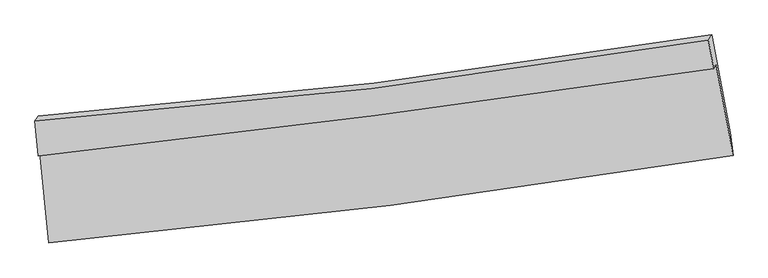
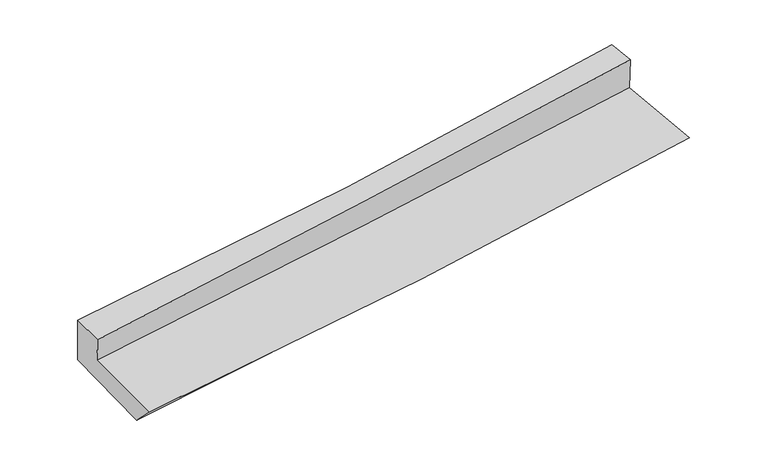
"""IFC4 building model written with IfcOpenShell, lengths in millimetres: proxy geometry."""

from ifc_helpers import new_model, si_unit, frame, origin, place, context, project, spatial, source, transform, mapped, element, save
from ifc_brep_helpers import plane_surface, spline_curve, spline_surface, advanced_brep


def generic_models_5950c602(model_context):
    return source(origin(), model_context, "Body", "AdvancedBrep", [
        advanced_brep(
        [(-2305.317415, -1821.8496615, 1798.6316762), (-2244.9285833, -2436.725378, 1712.5009081), (2380.1663001, -1842.9890861, 2033.6233671), (2263.2244622, -1220.6189267, 2117.8461845), (-2315.5706433, -1848.1336366, 1988.766577), (2249.2354361, -1256.4795552, 2377.2573671), (-2338.6103891, -1612.4141026, 2020.1096632), (2213.3568961, -1064.9574393, 2401.79832), (-2317.6744254, -1577.4073881, 1656.9393243), (2237.1815758, -1027.2715562, 2012.8603038), (-2248.8546889, -2271.5030973, 1549.888835), (2362.4070388, -1689.7703991, 1913.7271141)],
        [
            (0, 1),
            (1, 2, spline_curve(3, [(-2244.9285833, -2436.725378, 1712.5009081), (-1473.409140362, -2365.789525313, 1765.393762929), (-703.915103891, -2281.12251409, 1818.481553994), (837.819225178, -2083.454713174, 1925.518905365), (1610.02348356, -1970.20962726, 1979.471934153), (2380.1663001, -1842.9890861, 2033.6233671)], [4, 2, 4], [0.0, 7.589412679607977, 15.246040834091112])),
            (2, 3),
            (3, 0, spline_curve(3, [(2263.2244622, -1220.6189267, 2117.8461845), (1499.989965768, -1333.950357404, 2066.075739335), (735.979035976, -1440.911560674, 2013.468356902), (-786.881828845, -1641.21045166, 1907.048890975), (-1545.718191255, -1734.659493095, 1853.251437121), (-2305.317415, -1821.8496615, 1798.6316762)], [4, 2, 4], [0.0, 7.656628154483134, 15.246040834091112])),
            (4, 0),
            (3, 5),
            (5, 4, spline_curve(3, [(2249.2354361, -1256.4795552, 2377.2573671), (1486.622667438, -1368.21719801, 2313.957664301), (723.235298353, -1473.579913813, 2249.787028739), (-798.380268588, -1670.686504867, 2120.274874658), (-1556.594926018, -1762.5418159, 2054.948580149), (-2315.5706433, -1848.1336366, 1988.766577)], [4, 2, 4], [0.0, 7.610871658861334, 15.154929526789815])),
            (6, 4),
            (5, 7),
            (7, 6, spline_curve(3, [(2213.3568961, -1064.9574393, 2401.79832), (1455.132445925, -1190.694701238, 2336.799974936), (695.008916822, -1299.310701358, 2272.35561628), (-822.346708334, -1481.4969692, 2145.13574768), (-1579.545607476, -1555.36652385, 2082.350554145), (-2338.6103891, -1612.4141026, 2020.1096632)], [4, 2, 4], [0.0, 7.596614693647422, 15.126540754416919])),
            (8, 6),
            (7, 9),
            (9, 8, spline_curve(3, [(2237.1815758, -1027.2715562, 2012.8603038), (1478.595990266, -1153.269142005, 1950.123740082), (718.04983583, -1262.239966967, 1888.971568283), (-800.269769227, -1445.320943076, 1770.358937404), (-1558.008948742, -1519.728728764, 1712.870782781), (-2317.6744254, -1577.4073881, 1656.9393243)], [4, 2, 4], [0.0, 7.583316366990458, 15.100060843528412])),
            (10, 8),
            (9, 11),
            (11, 10, spline_curve(3, [(2362.4070388, -1689.7703991, 1913.7271141), (1593.283523675, -1806.522402145, 1851.933579927), (822.749618903, -1913.547156564, 1790.585238743), (-714.362277611, -2107.288019856, 1669.313594381), (-1480.915615627, -2194.174164782, 1609.382509278), (-2248.8546889, -2271.5030973, 1549.888835)], [4, 2, 4], [0.0, 7.633054028844274, 15.199099533708434])),
            (1, 10),
            (11, 2),
        ],
        [
            spline_surface(3, 3, [[(-2305.317415, -1821.8496615, 1798.6316762), (-1545.718191334, -1734.659493211, 1853.251437199), (-786.881828815, -1641.210451597, 1907.048890889), (735.979035945, -1440.911560738, 2013.468356988), (1499.989965835, -1333.95035745, 2066.075739388), (2263.2244622, -1220.6189267, 2117.8461845)], [(-2285.18780446, -2026.808233661, 1769.921420174), (-1521.61517435, -1945.036170558, 1823.965545787), (-759.22625388, -1854.514472394, 1877.526445225), (769.92576572, -1655.092611544, 1984.151873112), (1536.667805015, -1546.036780688, 2037.207804279), (2302.20507481, -1428.075646507, 2089.771912018)], [(-2265.05819384, -2231.766805839, 1741.211164126), (-1497.512157286, -2155.412847923, 1794.679654353), (-731.570678929, -2067.818493251, 1848.003999612), (803.872495508, -1869.27366241, 1954.835389288), (1573.345644264, -1758.123203904, 2008.339869216), (2341.18568749, -1635.532366293, 2061.697639582)], [(-2244.9285833, -2436.725378, 1712.5009081), (-1473.409140302, -2365.789525269, 1765.393762941), (-703.915103994, -2281.122514048, 1818.481553948), (837.819225282, -2083.454713217, 1925.518905411), (1610.023483443, -1970.209627142, 1979.471934107), (2380.1663001, -1842.9890861, 2033.6233671)]], [4, 4], [4, 2, 4], [0.0, 2.145202647007522], [0.0, 7.589412679607977, 15.246040834091112]),
            spline_surface(3, 3, [[(-2315.5706433, -1848.1336366, 1988.766577), (-1556.594925928, -1762.541816014, 2054.948580061), (-798.380268515, -1670.686504781, 2120.27487457), (723.23529828, -1473.579913899, 2249.787028828), (1486.622667315, -1368.217197973, 2313.957664401), (2249.2354361, -1256.4795552, 2377.2573671)], [(-2312.152900512, -1839.372311582, 1925.388276723), (-1552.969347708, -1753.247708428, 1987.716199097), (-794.547455263, -1660.861153742, 2049.199546675), (727.483210854, -1462.690462868, 2171.014138213), (1491.078433496, -1356.794917786, 2231.330356082), (2253.898444808, -1244.526012353, 2290.786972919)], [(-2308.735157788, -1830.610986518, 1862.009976477), (-1549.343769553, -1743.953600797, 1920.483818163), (-790.714642067, -1651.035802635, 1978.124218784), (731.731123372, -1451.801011769, 2092.241247603), (1495.534199654, -1345.372637638, 2148.703047707), (2258.561453492, -1232.572469547, 2204.316578681)], [(-2305.317415, -1821.8496615, 1798.6316762), (-1545.718191334, -1734.659493211, 1853.251437199), (-786.881828815, -1641.210451597, 1907.048890889), (735.979035945, -1440.911560738, 2013.468356988), (1499.989965835, -1333.95035745, 2066.075739388), (2263.2244622, -1220.6189267, 2117.8461845)]], [4, 4], [4, 2, 4], [0.0, 0.7458539577091511], [0.0, 7.544057867928481, 15.154929526789815]),
            spline_surface(3, 3, [[(-2338.6103891, -1612.4141026, 2020.1096632), (-1579.545607584, -1555.366523795, 2082.350554237), (-822.34670828, -1481.496969272, 2145.135747795), (695.008916768, -1299.310701285, 2272.355616164), (1455.132445867, -1190.694701326, 2336.799974866), (2213.3568961, -1064.9574393, 2401.79832)], [(-2330.930473851, -1690.987280605, 2009.661967816), (-1571.895380383, -1624.42495454, 2073.21656286), (-814.35789503, -1544.560147769, 2136.848790077), (704.4177106, -1357.400438817, 2264.832753742), (1465.629186343, -1249.868866868, 2329.185871366), (2225.316409427, -1128.798144593, 2393.618002355)], [(-2323.250558549, -1769.560458595, 1999.214272384), (-1564.245153129, -1693.483385269, 2064.082571437), (-806.369081765, -1607.623326285, 2128.561832288), (713.826504447, -1415.490176368, 2257.30989125), (1476.125926839, -1309.043032431, 2321.571767901), (2237.275922773, -1192.638849907, 2385.437684745)], [(-2315.5706433, -1848.1336366, 1988.766577), (-1556.594925928, -1762.541816014, 2054.948580061), (-798.380268515, -1670.686504781, 2120.27487457), (723.23529828, -1473.579913899, 2249.787028828), (1486.622667315, -1368.217197973, 2313.957664401), (2249.2354361, -1256.4795552, 2377.2573671)]], [4, 4], [4, 2, 4], [0.0, 0.6071398510094914], [0.0, 7.529926060769497, 15.126540754416919]),
            spline_surface(3, 3, [[(-2317.6744254, -1577.4073881, 1656.9393243), (-1558.008948731, -1519.728728725, 1712.870782883), (-800.269769311, -1445.320943085, 1770.358937502), (718.049835915, -1262.239966957, 1888.971568184), (1478.595990276, -1153.269141957, 1950.123740112), (2237.1815758, -1027.2715562, 2012.8603038)], [(-2324.653079975, -1589.076292922, 1777.996103922), (-1565.187835024, -1531.607993737, 1836.030706656), (-807.628748984, -1457.379618494, 1895.284540919), (710.369529516, -1274.596878413, 2016.76625083), (1470.774808821, -1165.744328422, 2079.015818379), (2229.240015915, -1039.833517243, 2142.506309215)], [(-2331.631734525, -1600.745197778, 1899.052883578), (-1572.366721291, -1543.487258784, 1959.190630463), (-814.987728607, -1469.438293863, 2020.210144378), (702.689223167, -1286.953789829, 2144.560933518), (1462.953627322, -1178.21951486, 2207.9078966), (2221.298455985, -1052.395478257, 2272.152314585)], [(-2338.6103891, -1612.4141026, 2020.1096632), (-1579.545607584, -1555.366523795, 2082.350554237), (-822.34670828, -1481.496969272, 2145.135747795), (695.008916768, -1299.310701285, 2272.355616164), (1455.132445867, -1190.694701326, 2336.799974866), (2213.3568961, -1064.9574393, 2401.79832)]], [4, 4], [4, 2, 4], [0.0, 1.2518085581349283], [0.0, 7.516744476537954, 15.100060843528412]),
            spline_surface(3, 3, [[(-2248.8546889, -2271.5030973, 1549.888835), (-1480.915615719, -2194.174164754, 1609.382509307), (-714.362277721, -2107.28801984, 1669.313594444), (822.749619015, -1913.54715658, 1790.58523868), (1593.283523568, -1806.522402104, 1851.933579873), (2362.4070388, -1689.7703991, 1913.7271141)], [(-2271.794601039, -2040.137860883, 1585.572331458), (-1506.613393363, -1969.359019394, 1643.878600524), (-742.998108252, -1886.632327568, 1702.99537548), (787.849691314, -1696.444760019, 1823.380681865), (1555.054345799, -1588.771315379, 1884.663633268), (2320.665217795, -1468.937451458, 1946.771510649)], [(-2294.734513261, -1808.772624517, 1621.255827842), (-1532.311171088, -1744.543874085, 1678.374691666), (-771.63393878, -1665.976635357, 1736.677156466), (752.949763615, -1479.342363519, 1856.176124999), (1516.825168045, -1371.020228681, 1917.393686717), (2278.923396805, -1248.104503842, 1979.815907251)], [(-2317.6744254, -1577.4073881, 1656.9393243), (-1558.008948731, -1519.728728725, 1712.870782883), (-800.269769311, -1445.320943085, 1770.358937502), (718.049835915, -1262.239966957, 1888.971568184), (1478.595990276, -1153.269141957, 1950.123740112), (2237.1815758, -1027.2715562, 2012.8603038)]], [4, 4], [4, 2, 4], [0.0, 2.2012227330497955], [0.0, 7.56604550486416, 15.199099533708434]),
            spline_surface(3, 3, [[(-2244.9285833, -2436.725378, 1712.5009081), (-1473.409140302, -2365.789525269, 1765.393762941), (-703.915103994, -2281.122514048, 1818.481553948), (837.819225282, -2083.454713217, 1925.518905411), (1610.023483443, -1970.209627142, 1979.471934107), (2380.1663001, -1842.9890861, 2033.6233671)], [(-2246.237285163, -2381.651284448, 1658.296883707), (-1475.911298771, -2308.584405112, 1713.390011704), (-707.397495228, -2223.177682656, 1768.758900772), (832.796023202, -2026.818861016, 1880.541016494), (1604.44349683, -1915.647218808, 1936.959149373), (2374.246546345, -1791.916190445, 1993.657949444)], [(-2247.545987037, -2326.577190852, 1604.092859393), (-1478.41345725, -2251.379284911, 1661.386260545), (-710.879886488, -2165.232851232, 1719.036247619), (827.772821095, -1970.183008781, 1835.563127598), (1598.863510181, -1861.084810438, 1894.446364607), (2368.326792555, -1740.843294755, 1953.692531756)], [(-2248.8546889, -2271.5030973, 1549.888835), (-1480.915615719, -2194.174164754, 1609.382509307), (-714.362277721, -2107.28801984, 1669.313594444), (822.749619015, -1913.54715658, 1790.58523868), (1593.283523568, -1806.522402104, 1851.933579873), (2362.4070388, -1689.7703991, 1913.7271141)]], [4, 4], [4, 2, 4], [0.0, 0.7325720594253996], [0.0, 7.624758616075986, 15.317045747575179]),
            plane_surface(frame((2284.2619515, -1350.3478271, 2142.8521094), z_axis=(0.9817229497516399, 0.1740432624986619, 0.07699995266077402), x_axis=(-0.060857173604974044, -0.09626388959108775, 0.9934936678115311))),
            plane_surface(frame((-2295.1593575, -1928.005544, 1787.806164), z_axis=(-0.9939086341358131, -0.08839525111226841, -0.06581722093101375), x_axis=(-0.09680663033169358, 0.9856797124285669, 0.13807237533467956))),
        ],
        [
            (0, [[1, 2, 3, 4]]),
            (1, [[5, -4, 6, 7]]),
            (2, [[8, -7, 9, 10]]),
            (3, [[11, -10, 12, 13]]),
            (4, [[14, -13, 15, 16]]),
            (5, [[17, -16, 18, -2]]),
            (6, [[-12, -9, -6, -3, -18, -15]]),
            (7, [[-1, -5, -8, -11, -14, -17]]),
        ],
    ),
    ])


if __name__ == "__main__":
    model = new_model("IFC4")
    model_context = context("Model", 3, world=origin())
    ifc_project = project(units=[si_unit("LENGTHUNIT", "METRE", prefix="MILLI")], contexts=[model_context])
    site = spatial("IfcSite", under=ifc_project)
    building = spatial("IfcBuilding", under=site)
    placement = place(None, origin())
    generic_models_shape = generic_models_5950c602(model_context)
    element("IfcBuildingElementProxy", 1, Name="Generic Models", at=placement, inside=building, context=model_context, shape_type="MappedRepresentation", body=[
        mapped(generic_models_shape, transform((0.0, 0.0, 0.0), x_axis=(1.0, 0.0, 0.0), y_axis=(0.0, 1.0, 0.0), z_axis=(0.0, 0.0, 1.0))),
    ])
    save(model, "model.ifc")
